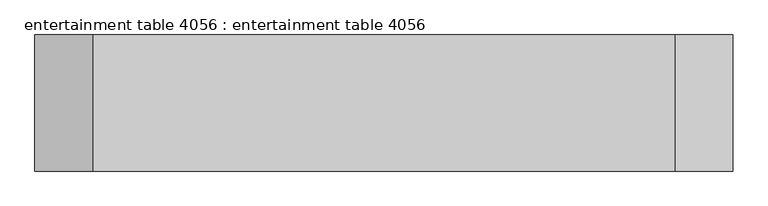
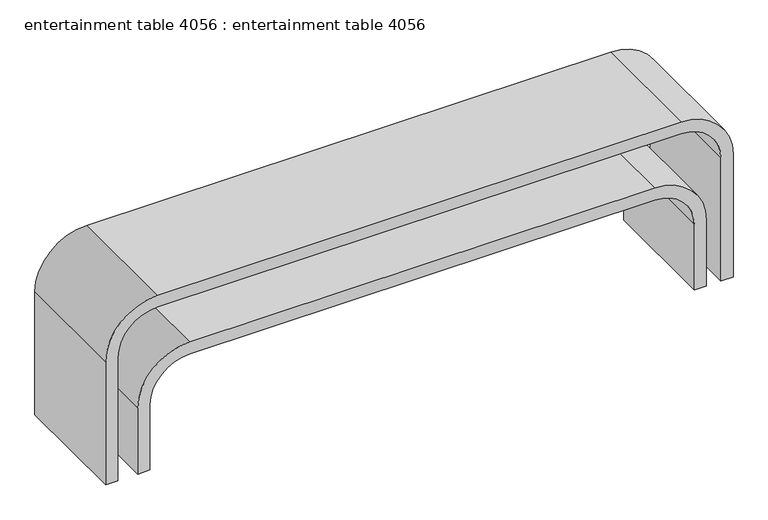
"""IFC4 building model written with IfcOpenShell, lengths in millimetres: furniture geometry, entertainment table 4056 : entertainment table 4056."""

from ifc_helpers import new_model, si_unit, point, frame, frame_2d, origin, place, context, project, spatial, polyline, circle_curve, trimmed, segment, composite_curve, outline, extrude, source, transform, mapped, element, save


def entertainment_table_4056_entertainment_table_4056_870fe8c4(model_context):
    return source(origin(), model_context, "Body", "SweptSolid", [
        extrude(outline(composite_curve([segment(trimmed(circle_curve(frame_2d((285.0039964, 1017.6724373)), 212.1320344), [point((285.0039964, 1229.8044717))], [point((497.1360307, 1017.6724373))], False, "CARTESIAN"), True, "CONTINUOUS"), segment(polyline([(497.1360307, 1017.6724373), (497.1360307, -882.3275627)]), True, "CONTINUOUS"), segment(trimmed(circle_curve(frame_2d((285.0039964, -882.3275627)), 212.1320344), [point((497.1360307, -882.3275627))], [point((285.0039964, -1094.459597))], False, "CARTESIAN"), True, "CONTINUOUS"), segment(polyline([(285.0039964, -1094.459597), (0.0, -1094.459597), (0.0, -1044.459597), (282.9910052, -1044.459597)]), True, "CONTINUOUS"), segment(trimmed(circle_curve(frame_2d((282.9910052, -882.3275627)), 162.1320344), [point((282.9910052, -1044.459597))], [point((445.1230396, -882.3275627))], True, "CARTESIAN"), True, "CONTINUOUS"), segment(polyline([(445.1230396, -882.3275627), (445.1230396, 1017.6724373)]), True, "CONTINUOUS"), segment(trimmed(circle_curve(frame_2d((282.9910052, 1017.6724373)), 162.1320344), [point((445.1230396, 1017.6724373))], [point((282.9910052, 1179.8044717))], True, "CARTESIAN"), True, "CONTINUOUS"), segment(polyline([(282.9910052, 1179.8044717), (0.0, 1179.8044717), (0.0, 1229.8044717), (285.0039964, 1229.8044717)]), True, "CONTINUOUS")], self_intersect=False)), frame((0.0, -251.5396497, 0.0), z_axis=(0.0, 1.0, 0.0), x_axis=(0.0, 0.0, 1.0)), (0.0, 0.0, 1.0), 500.0),
        extrude(outline(composite_curve([segment(polyline([(532.1320344, -1225.6808572), (0.0, -1225.6808572), (0.0, -1175.6808572), (532.1320344, -1175.6808572)]), True, "CONTINUOUS"), segment(trimmed(circle_curve(frame_2d((532.1320344, -1013.5488228)), 162.1320344), [point((532.1320344, -1175.6808572))], [point((694.2640687, -1013.5488228))], True, "CARTESIAN"), True, "CONTINUOUS"), segment(polyline([(694.2640687, -1013.5488228), (694.2640687, 1126.4511772)]), True, "CONTINUOUS"), segment(trimmed(circle_curve(frame_2d((532.1320344, 1126.4511772)), 162.1320344), [point((694.2640687, 1126.4511772))], [point((532.1320344, 1288.5832115))], True, "CARTESIAN"), True, "CONTINUOUS"), segment(polyline([(532.1320344, 1288.5832115), (0.0, 1288.5832115), (0.0, 1338.5832115), (532.1320344, 1338.5832115)]), True, "CONTINUOUS"), segment(trimmed(circle_curve(frame_2d((532.1320344, 1126.4511772)), 212.1320344), [point((532.1320344, 1338.5832115))], [point((744.2640687, 1126.4511772))], False, "CARTESIAN"), True, "CONTINUOUS"), segment(polyline([(744.2640687, 1126.4511772), (744.2640687, -1013.5488228)]), True, "CONTINUOUS"), segment(trimmed(circle_curve(frame_2d((532.1320344, -1013.5488228)), 212.1320344), [point((744.2640687, -1013.5488228))], [point((532.1320344, -1225.6808572))], False, "CARTESIAN"), True, "CONTINUOUS")], self_intersect=False)), frame((0.0, -251.5396497, 0.0), z_axis=(0.0, 1.0, 0.0), x_axis=(0.0, 0.0, 1.0)), (0.0, 0.0, 1.0), 500.0),
    ])


if __name__ == "__main__":
    model = new_model("IFC4")
    model_context = context("Model", 3, world=origin())
    ifc_project = project(units=[si_unit("LENGTHUNIT", "METRE", prefix="MILLI")], contexts=[model_context])
    site = spatial("IfcSite", under=ifc_project)
    building = spatial("IfcBuilding", under=site)
    placement = place(None, origin())
    entertainment_table_4056_entertainment_table_4056_shape = entertainment_table_4056_entertainment_table_4056_870fe8c4(model_context)
    element("IfcFurniture", 1, ObjectType="entertainment table 4056 : entertainment table 4056", at=placement, inside=building, context=model_context, shape_type="MappedRepresentation", body=[
        mapped(entertainment_table_4056_entertainment_table_4056_shape, transform((0.0, 0.0, 0.0), x_axis=(1.0, 0.0, 0.0), y_axis=(0.0, 1.0, 0.0), z_axis=(0.0, 0.0, 1.0))),
    ])
    save(model, "model.ifc")
